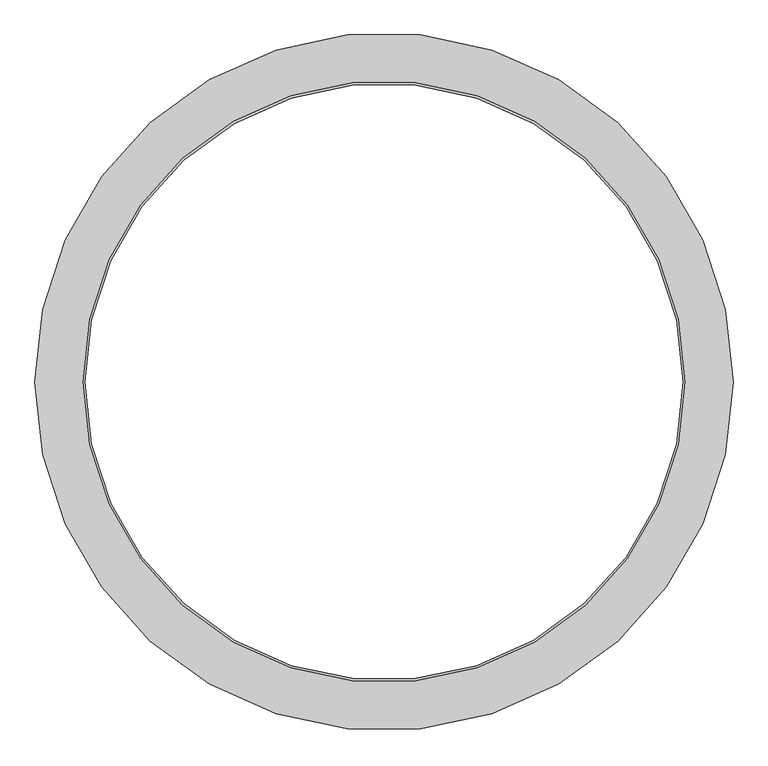
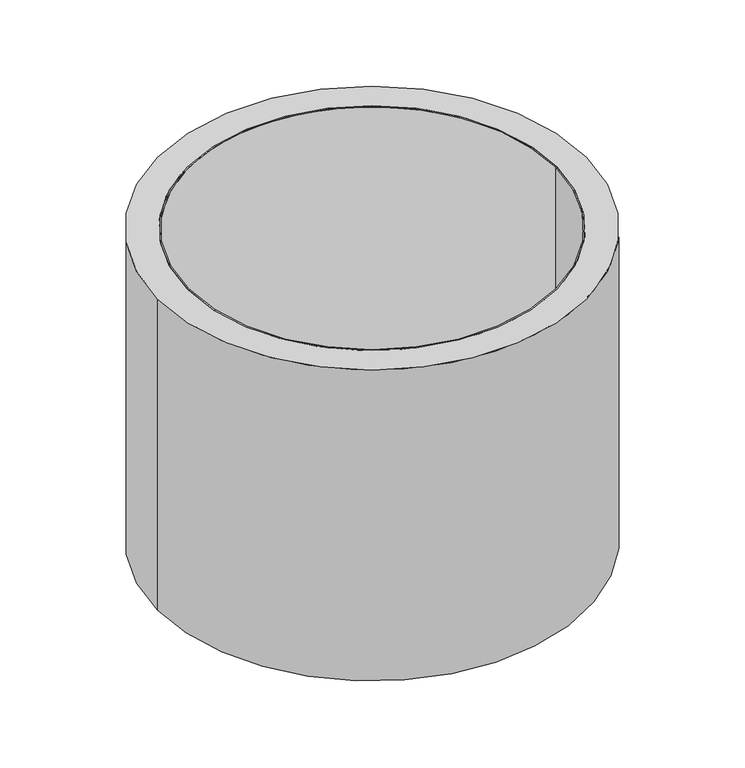
"""IFC4 building model written with IfcOpenShell, lengths in millimetres: proxy geometry."""

from ifc_helpers import new_model, si_unit, point, origin, origin_with_axes, origin_2d, place, context, project, spatial, circle_curve, trimmed, segment, composite_curve, outline, extrude, source, transform, mapped, element, save


def generic_models_9077d572(model_context):
    return source(origin(), model_context, "Body", "SweptSolid", [
        extrude(outline(composite_curve([segment(trimmed(circle_curve(origin_2d(), 500.0), [point((-500.0, 0.0))], [point((500.0, 0.0))], False, "CARTESIAN"), True, "CONTINUOUS"), segment(trimmed(circle_curve(origin_2d(), 500.0), [point((500.0, 0.0))], [point((-500.0, 0.0))], False, "CARTESIAN"), True, "CONTINUOUS")], self_intersect=False), holes=[composite_curve([segment(trimmed(circle_curve(origin_2d(), 496.0), [point((-496.0, 0.0))], [point((496.0, 0.0))], True, "CARTESIAN"), True, "CONTINUOUS"), segment(trimmed(circle_curve(origin_2d(), 496.0), [point((496.0, 0.0))], [point((-496.0, 0.0))], True, "CARTESIAN"), True, "CONTINUOUS")], self_intersect=False)]), origin_with_axes(), (0.0, 0.0, 1.0), 890.0),
        extrude(outline(composite_curve([segment(trimmed(circle_curve(origin_2d(), 580.0), [point((-580.0, 0.0))], [point((580.0, 0.0))], False, "CARTESIAN"), True, "CONTINUOUS"), segment(trimmed(circle_curve(origin_2d(), 580.0), [point((580.0, 0.0))], [point((-580.0, 0.0))], False, "CARTESIAN"), True, "CONTINUOUS")], self_intersect=False), holes=[composite_curve([segment(trimmed(circle_curve(origin_2d(), 500.0), [point((-500.0, 0.0))], [point((500.0, 0.0))], True, "CARTESIAN"), True, "CONTINUOUS"), segment(trimmed(circle_curve(origin_2d(), 500.0), [point((500.0, 0.0))], [point((-500.0, 0.0))], True, "CARTESIAN"), True, "CONTINUOUS")], self_intersect=False)]), origin_with_axes(), (0.0, 0.0, 1.0), 890.0),
    ])


if __name__ == "__main__":
    model = new_model("IFC4")
    model_context = context("Model", 3, world=origin())
    ifc_project = project(units=[si_unit("LENGTHUNIT", "METRE", prefix="MILLI")], contexts=[model_context])
    site = spatial("IfcSite", under=ifc_project)
    building = spatial("IfcBuilding", under=site)
    placement = place(None, origin())
    generic_models_shape = generic_models_9077d572(model_context)
    element("IfcBuildingElementProxy", 1, Name="Generic Models", at=placement, inside=building, context=model_context, shape_type="MappedRepresentation", body=[
        mapped(generic_models_shape, transform((0.0, 0.0, 0.0), x_axis=(1.0, 0.0, 0.0), y_axis=(0.0, 1.0, 0.0), z_axis=(0.0, 0.0, 1.0))),
    ])
    save(model, "model.ifc")
